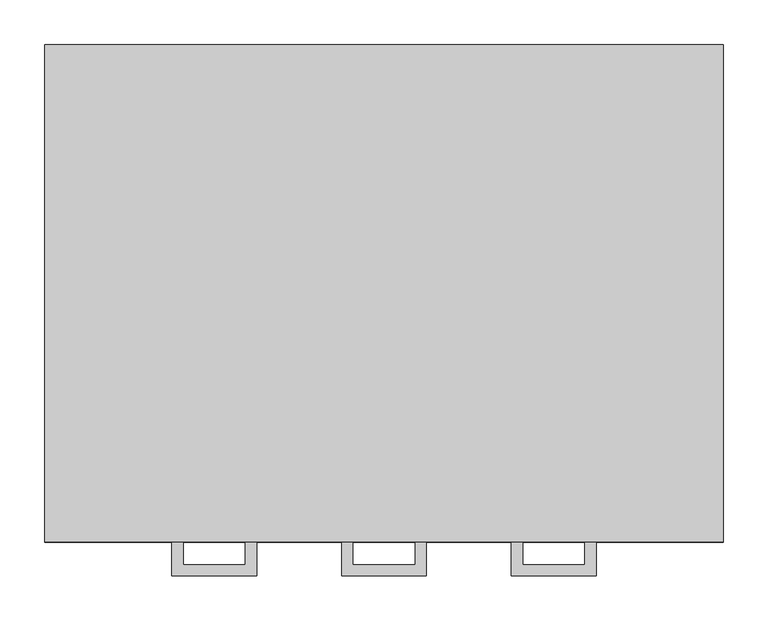
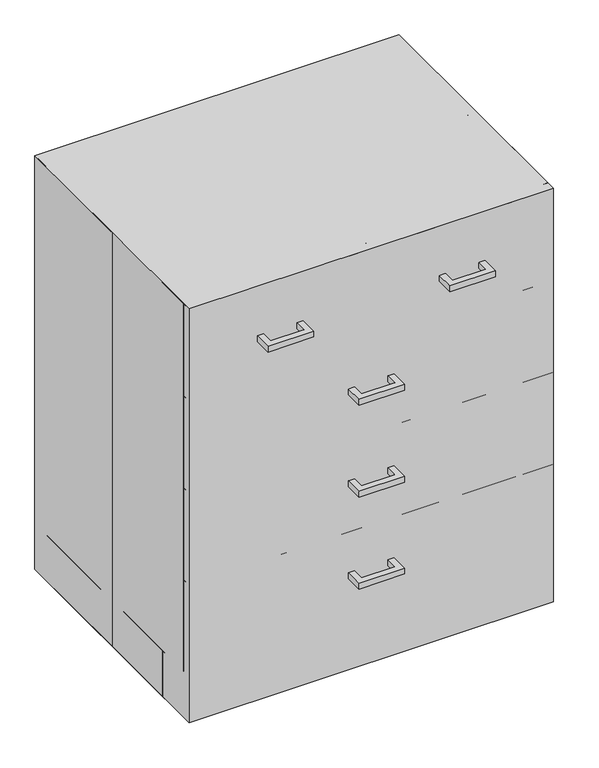
"""IFC4 building model written with IfcOpenShell, lengths in millimetres: proxy geometry."""

from ifc_helpers import new_model, si_unit, frame, origin, origin_with_axes, place, context, project, spatial, polyline, outline, extrude, source, transform, mapped, element, save


def specialty_equipment_ad805620(model_context):
    return source(origin(), model_context, "Body", "SweptSolid", [
        extrude(outline(polyline([(-47.625, -317.5), (-47.625, -279.4), (-34.9409299, -279.4), (-34.9409299, -304.8159299), (34.9409299, -304.8159299), (34.9409299, -279.4), (47.625, -279.4), (47.625, -317.5), (-47.625, -317.5)])), frame((0.0, 0.0, 201.5962383), z_axis=(0.0, 0.0, 1.0), x_axis=(1.0, 0.0, 0.0)), (0.0, 0.0, 1.0), 12.7),
        extrude(outline(polyline([(-47.625, -317.5), (-47.625, -279.4), (-34.9409299, -279.4), (-34.9409299, -304.8159299), (34.9409299, -304.8159299), (34.9409299, -279.4), (47.625, -279.4), (47.625, -317.5), (-47.625, -317.5)])), frame((0.0, 0.0, 404.7962383), z_axis=(0.0, 0.0, 1.0), x_axis=(1.0, 0.0, 0.0)), (0.0, 0.0, 1.0), 12.7),
        extrude(outline(polyline([(-47.625, -317.5), (-47.625, -279.4), (-34.9409299, -279.4), (-34.9409299, -304.8159299), (34.9409299, -304.8159299), (34.9409299, -279.4), (47.625, -279.4), (47.625, -317.5), (-47.625, -317.5)])), frame((0.0, 0.0, 607.9962383), z_axis=(0.0, 0.0, 1.0), x_axis=(1.0, 0.0, 0.0)), (0.0, 0.0, 1.0), 12.7),
        extrude(outline(polyline([(-238.125, -317.5), (-238.125, -279.4), (-225.4409299, -279.4), (-225.4409299, -304.8159299), (-155.5590701, -304.8159299), (-155.5590701, -279.4), (-142.875, -279.4), (-142.875, -317.5), (-238.125, -317.5)])), frame((0.0, 0.0, 792.1462383), z_axis=(0.0, 0.0, 1.0), x_axis=(1.0, 0.0, 0.0)), (0.0, 0.0, 1.0), 12.7),
        extrude(outline(polyline([(238.125, -317.5), (142.875, -317.5), (142.875, -279.4), (155.5590701, -279.4), (155.5590701, -304.8159299), (225.4409299, -304.8159299), (225.4409299, -279.4), (238.125, -279.4), (238.125, -317.5)])), frame((0.0, 0.0, 792.1462383), z_axis=(0.0, 0.0, 1.0), x_axis=(1.0, 0.0, 0.0)), (0.0, 0.0, 1.0), 12.7),
        extrude(outline(polyline([(-381.0, 279.4), (381.0, 279.4), (381.0, -279.4), (-381.0, -279.4), (-381.0, 0.0), (-381.0, 279.4)])), origin_with_axes(), (0.0, 0.0, 1.0), 914.4),
        extrude(outline(polyline([(381.0, -279.4), (-381.0, -279.4), (-381.0, -260.35), (381.0, -260.35), (381.0, -279.4)])), frame((0.0, 0.0, 101.5674767), z_axis=(0.0, 0.0, 1.0), x_axis=(1.0, 0.0, 0.0)), (0.0, 0.0, 1.0), 203.2),
        extrude(outline(polyline([(381.0, -279.4), (-381.0, -279.4), (-381.0, -260.35), (381.0, -260.35), (381.0, -279.4)])), frame((0.0, 0.0, 304.7674767), z_axis=(0.0, 0.0, 1.0), x_axis=(1.0, 0.0, 0.0)), (0.0, 0.0, 1.0), 203.2),
        extrude(outline(polyline([(381.0, -279.4), (-381.0, -279.4), (-381.0, -260.35), (381.0, -260.35), (381.0, -279.4)])), frame((0.0, 0.0, 507.9674767), z_axis=(0.0, 0.0, 1.0), x_axis=(1.0, 0.0, 0.0)), (0.0, 0.0, 1.0), 203.2),
        extrude(outline(polyline([(381.0, -279.4), (0.0, -279.4), (0.0, -260.35), (381.0, -260.35), (381.0, -279.4)])), frame((0.0, 0.0, 711.1674767), z_axis=(0.0, 0.0, 1.0), x_axis=(1.0, 0.0, 0.0)), (0.0, 0.0, 1.0), 203.2325233),
        extrude(outline(polyline([(0.0, -279.4), (-381.0, -279.4), (-381.0, -260.35), (0.0, -260.35), (0.0, -279.4)])), frame((0.0, 0.0, 711.1674767), z_axis=(0.0, 0.0, 1.0), x_axis=(1.0, 0.0, 0.0)), (0.0, 0.0, 1.0), 203.2325233),
        extrude(outline(polyline([(-381.0, -260.35), (-381.0, 260.35), (-361.95, 260.35), (-361.95, -260.35), (-381.0, -260.35)])), frame((0.0, 0.0, 101.6), z_axis=(0.0, 0.0, 1.0), x_axis=(1.0, 0.0, 0.0)), (0.0, 0.0, 1.0), 812.8),
        extrude(outline(polyline([(361.95, -260.35), (361.95, 260.35), (381.0, 260.35), (381.0, -260.35), (361.95, -260.35)])), frame((0.0, 0.0, 101.6), z_axis=(0.0, 0.0, 1.0), x_axis=(1.0, 0.0, 0.0)), (0.0, 0.0, 1.0), 812.8),
        extrude(outline(polyline([(381.0, -203.2), (-381.0, -203.2), (-381.0, -184.15), (381.0, -184.15), (381.0, -203.2)])), origin_with_axes(), (0.0, 0.0, 1.0), 101.6),
        extrude(outline(polyline([(-381.0, -184.15), (-381.0, 260.35), (-361.95, 260.35), (-361.95, -184.15), (-381.0, -184.15)])), origin_with_axes(), (0.0, 0.0, 1.0), 101.6),
        extrude(outline(polyline([(361.95, -184.15), (361.95, 260.35), (381.0, 260.35), (381.0, -184.15), (361.95, -184.15)])), origin_with_axes(), (0.0, 0.0, 1.0), 101.6),
        extrude(outline(polyline([(381.0, 260.35), (-381.0, 260.35), (-381.0, 279.4), (381.0, 279.4), (381.0, 260.35)])), origin_with_axes(), (0.0, 0.0, 1.0), 914.4),
        extrude(outline(polyline([(361.95, 260.35), (361.95, -260.35), (-361.95, -260.35), (-361.95, 260.35), (361.95, 260.35)])), frame((0.0, 0.0, 101.6), z_axis=(0.0, 0.0, 1.0), x_axis=(1.0, 0.0, 0.0)), (0.0, 0.0, 1.0), 19.1166954),
    ])


if __name__ == "__main__":
    model = new_model("IFC4")
    model_context = context("Model", 3, world=origin())
    ifc_project = project(units=[si_unit("LENGTHUNIT", "METRE", prefix="MILLI")], contexts=[model_context])
    site = spatial("IfcSite", under=ifc_project)
    building = spatial("IfcBuilding", under=site)
    placement = place(None, origin())
    specialty_equipment_shape = specialty_equipment_ad805620(model_context)
    element("IfcBuildingElementProxy", 1, Name="Specialty Equipment", at=placement, inside=building, context=model_context, shape_type="MappedRepresentation", body=[
        mapped(specialty_equipment_shape, transform((0.0, 0.0, 0.0), x_axis=(1.0, 0.0, 0.0), y_axis=(0.0, 1.0, 0.0), z_axis=(0.0, 0.0, 1.0))),
    ])
    save(model, "model.ifc")
